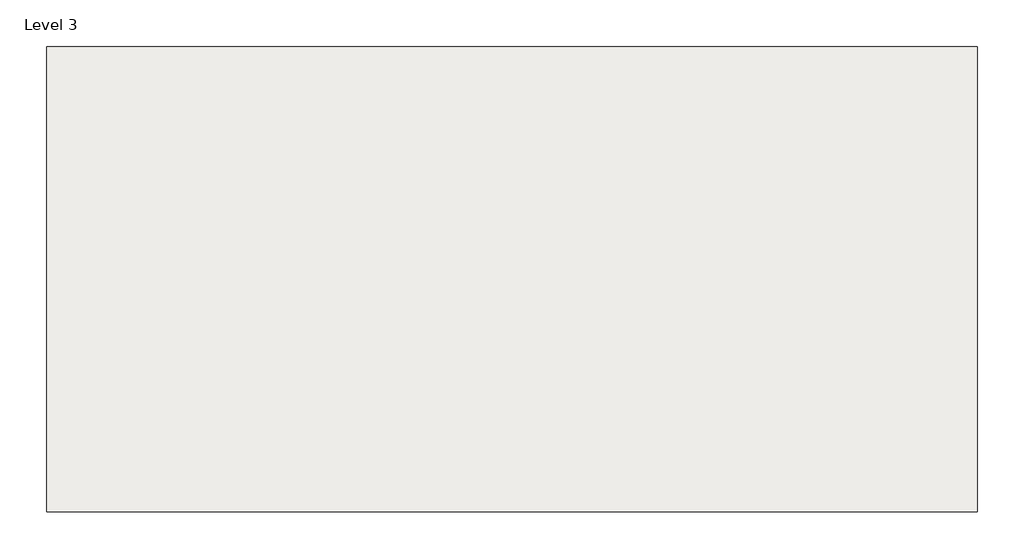
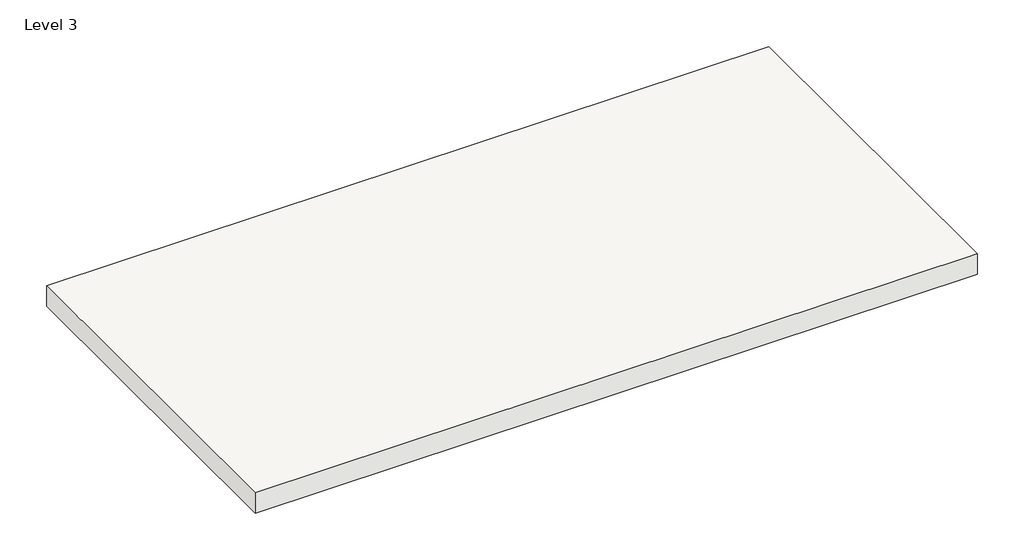
# One storey, part 1 of 2: 1 slab.
"""IFC4 building model written with IfcOpenShell, lengths in millimetres."""

from ifc_helpers import new_model, si_unit, frame, origin, place, context, project, spatial, polyline, outline, extrude, element, save

model = new_model("IFC4")

# Units and contexts
model_context = context("Model", 3, world=origin())
ifc_project = project(units=[si_unit("LENGTHUNIT", "METRE", prefix="MILLI")], contexts=[model_context])

# Site, building, storey
site = spatial("IfcSite", under=ifc_project)
building = spatial("IfcBuilding", under=site)
storey = spatial("IfcBuildingStorey", under=building, Name="Level 3", Elevation=8000.0)

# Slab
placement = place(None, origin())
element("IfcSlab", 1, ObjectType="Generic 300mm", at=placement, inside=storey, context=model_context, shape_type="SweptSolid", body=[
    extrude(outline(polyline([(-25320.6583905, 5046.8134722), (-15320.6583905, 5046.8134722), (-15320.6583905, 46.8134722), (-25320.6583905, 46.8134722), (-25320.6583905, 5046.8134722)])), frame((0.0, 0.0, 8000.0), z_axis=(0.0, 0.0, 1.0), x_axis=(1.0, 0.0, 0.0)), (0.0, 0.0, 1.0), 300.0),
])

save(model, "model.ifc")
